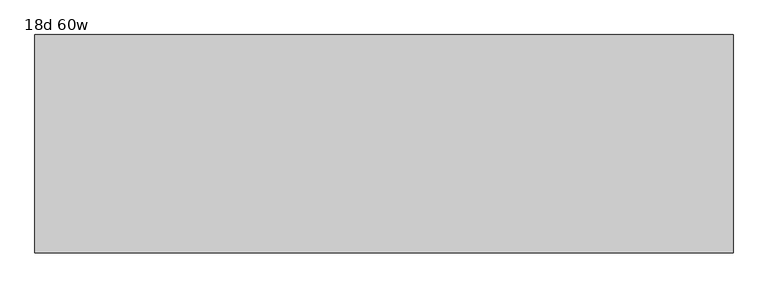
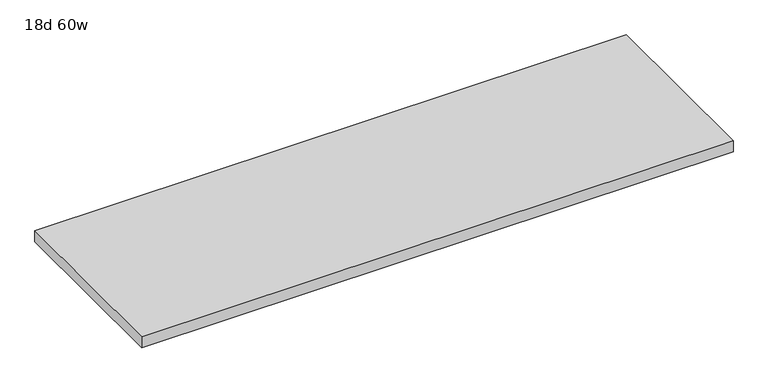
"""IFC4 building model written with IfcOpenShell, lengths in millimetres: furniture geometry, 18d 60w."""

from ifc_helpers import new_model, si_unit, frame, origin, place, context, project, spatial, polyline, outline, extrude, source, transform, mapped, element, save


def furniture_18d_60w_89fef875(model_context):
    return source(origin(), model_context, "Body", "SweptSolid", [
        extrude(outline(polyline([(762.0, 238.125), (762.0, -238.125), (-762.0, -238.125), (-762.0, 238.125), (762.0, 238.125)])), frame((0.0, 0.0, 706.4375), z_axis=(0.0, 0.0, 1.0), x_axis=(1.0, 0.0, 0.0)), (0.0, 0.0, 1.0), 30.1625),
    ])


if __name__ == "__main__":
    model = new_model("IFC4")
    model_context = context("Model", 3, world=origin())
    ifc_project = project(units=[si_unit("LENGTHUNIT", "METRE", prefix="MILLI")], contexts=[model_context])
    site = spatial("IfcSite", under=ifc_project)
    building = spatial("IfcBuilding", under=site)
    placement = place(None, origin())
    furniture_18d_60w_shape = furniture_18d_60w_89fef875(model_context)
    element("IfcFurniture", 1, ObjectType="18d 60w", at=placement, inside=building, context=model_context, shape_type="MappedRepresentation", body=[
        mapped(furniture_18d_60w_shape, transform((0.0, 0.0, 0.0), x_axis=(1.0, 0.0, 0.0), y_axis=(0.0, 1.0, 0.0), z_axis=(0.0, 0.0, 1.0))),
    ])
    save(model, "model.ifc")
